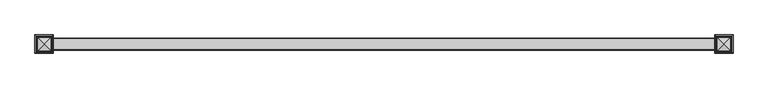
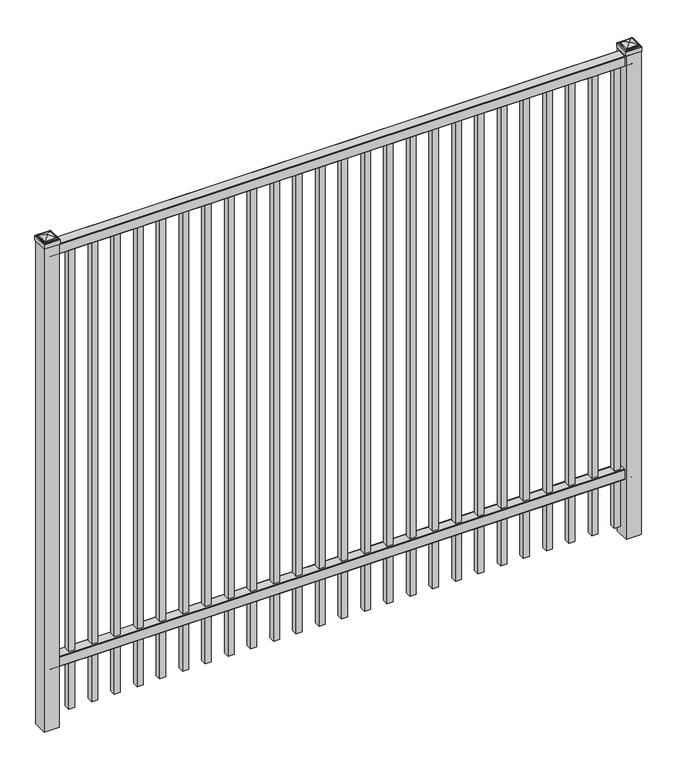
"""IFC4 building model written with IfcOpenShell, lengths in millimetres: railing geometry."""

from ifc_helpers import new_model, si_unit, point, frame, frame_2d, origin, origin_with_axes, place, context, project, spatial, polyline, circle_curve, ellipse_curve, trimmed, segment, composite_curve, outline, extrude, source, transform, mapped, element, save
from ifc_brep_helpers import plane_surface, cylinder_surface, advanced_brep


def railing_d0c8d24b(model_context):
    return source(origin(), model_context, "Body", "SolidModel", [
        extrude(outline(composite_curve([segment(polyline([(8825.9139761, 304.8), (8863.969541, 304.8)]), True, "CONTINUOUS"), segment(trimmed(circle_curve(frame_2d((8863.969541, 301.625)), 3.175), [point((8863.969541, 304.8))], [point((8867.144541, 301.625))], False, "CARTESIAN"), True, "CONTINUOUS"), segment(polyline([(8867.144541, 301.625), (8867.144541, 262.1439893)]), True, "CONTINUOUS"), segment(trimmed(circle_curve(frame_2d((8865.3505518, 262.1439893)), 1.7939893), [point((8867.144541, 262.1439893))], [point((8865.3505518, 260.35))], False, "CARTESIAN"), True, "CONTINUOUS"), segment(polyline([(8865.3505518, 260.35), (8862.7590713, 260.35)]), True, "CONTINUOUS"), segment(trimmed(circle_curve(frame_2d((8862.7590713, 262.1359375)), 1.7859375), [point((8862.7590713, 260.35))], [point((8860.9755813, 262.0424688))], False, "CARTESIAN"), True, "CONTINUOUS"), segment(polyline([(8860.9755813, 262.0424688), (8859.4025867, 292.0569942), (8830.4364954, 292.0569942), (8828.8635007, 262.0424688)]), True, "CONTINUOUS"), segment(trimmed(circle_curve(frame_2d((8827.0800108, 262.1359375)), 1.7859375), [point((8828.8635007, 262.0424688))], [point((8827.0800108, 260.35))], False, "CARTESIAN"), True, "CONTINUOUS"), segment(polyline([(8827.0800108, 260.35), (8824.4804785, 260.35)]), True, "CONTINUOUS"), segment(trimmed(circle_curve(frame_2d((8824.4804785, 262.1359375)), 1.7859375), [point((8824.4804785, 260.35))], [point((8822.694541, 262.1359375))], False, "CARTESIAN"), True, "CONTINUOUS"), segment(polyline([(8822.694541, 262.1359375), (8822.694541, 301.5805649)]), True, "CONTINUOUS"), segment(trimmed(circle_curve(frame_2d((8825.9139761, 301.5805649)), 3.2194351), [point((8822.694541, 301.5805649))], [point((8825.9139761, 304.8))], False, "CARTESIAN"), True, "CONTINUOUS")], self_intersect=False)), frame((-15337.0649936, 0.0, 0.0), z_axis=(1.0, 0.0, 0.0), x_axis=(0.0, 1.0, 0.0)), (0.0, 0.0, 1.0), 2438.4),
        extrude(outline(composite_curve([segment(polyline([(8825.9139761, 2133.6), (8863.969541, 2133.6)]), True, "CONTINUOUS"), segment(trimmed(circle_curve(frame_2d((8863.969541, 2130.425)), 3.175), [point((8863.969541, 2133.6))], [point((8867.144541, 2130.425))], False, "CARTESIAN"), True, "CONTINUOUS"), segment(polyline([(8867.144541, 2130.425), (8867.144541, 2090.9439893)]), True, "CONTINUOUS"), segment(trimmed(circle_curve(frame_2d((8865.3505518, 2090.9439893)), 1.7939893), [point((8867.144541, 2090.9439893))], [point((8865.3505518, 2089.15))], False, "CARTESIAN"), True, "CONTINUOUS"), segment(polyline([(8865.3505518, 2089.15), (8862.7590713, 2089.15)]), True, "CONTINUOUS"), segment(trimmed(circle_curve(frame_2d((8862.7590713, 2090.9359375)), 1.7859375), [point((8862.7590713, 2089.15))], [point((8860.9755813, 2090.8424688))], False, "CARTESIAN"), True, "CONTINUOUS"), segment(polyline([(8860.9755813, 2090.8424688), (8859.4025867, 2120.8569942), (8830.4364954, 2120.8569942), (8828.8635007, 2090.8424688)]), True, "CONTINUOUS"), segment(trimmed(circle_curve(frame_2d((8827.0800108, 2090.9359375)), 1.7859375), [point((8828.8635007, 2090.8424688))], [point((8827.0800108, 2089.15))], False, "CARTESIAN"), True, "CONTINUOUS"), segment(polyline([(8827.0800108, 2089.15), (8824.4804785, 2089.15)]), True, "CONTINUOUS"), segment(trimmed(circle_curve(frame_2d((8824.4804785, 2090.9359375)), 1.7859375), [point((8824.4804785, 2089.15))], [point((8822.694541, 2090.9359375))], False, "CARTESIAN"), True, "CONTINUOUS"), segment(polyline([(8822.694541, 2090.9359375), (8822.694541, 2130.3805649)]), True, "CONTINUOUS"), segment(trimmed(circle_curve(frame_2d((8825.9139761, 2130.3805649)), 3.2194351), [point((8822.694541, 2130.3805649))], [point((8825.9139761, 2133.6))], False, "CARTESIAN"), True, "CONTINUOUS")], self_intersect=False)), frame((-15337.0649936, 0.0, 0.0), z_axis=(1.0, 0.0, 0.0), x_axis=(0.0, 1.0, 0.0)), (0.0, 0.0, 1.0), 2438.4),
        extrude(outline(polyline([(0.0, -2038.35), (0.0, 0.0), (25.4, 0.0), (25.4, -2038.35), (0.0, -2038.35)])), frame((-12943.1149864, 8857.619541, 2089.15), z_axis=(-1.0, 0.0, 2.0357833487507914e-09), x_axis=(0.0, -1.0, 0.0)), (0.0, 0.0, 1.0), 25.4),
        extrude(outline(polyline([(0.0, -2038.35), (0.0, 0.0), (25.4, 0.0), (25.4, -2038.35), (0.0, -2038.35)])), frame((-13038.3649864, 8857.619541, 2089.15), z_axis=(-1.0, 0.0, 2.0357833487507914e-09), x_axis=(0.0, -1.0, 0.0)), (0.0, 0.0, 1.0), 25.4),
        extrude(outline(polyline([(0.0, -2038.35), (0.0, 0.0), (25.4, 0.0), (25.4, -2038.35), (0.0, -2038.35)])), frame((-13133.6149864, 8857.619541, 2089.15), z_axis=(-1.0, 0.0, 2.0357833487507914e-09), x_axis=(0.0, -1.0, 0.0)), (0.0, 0.0, 1.0), 25.4),
        extrude(outline(polyline([(0.0, -2038.35), (0.0, 0.0), (25.4, 0.0), (25.4, -2038.35), (0.0, -2038.35)])), frame((-13228.8649864, 8857.619541, 2089.15), z_axis=(-1.0, 0.0, 2.0357833487507914e-09), x_axis=(0.0, -1.0, 0.0)), (0.0, 0.0, 1.0), 25.4),
        extrude(outline(polyline([(0.0, -2038.35), (0.0, 0.0), (25.4, 0.0), (25.4, -2038.35), (0.0, -2038.35)])), frame((-13324.1149864, 8857.619541, 2089.15), z_axis=(-1.0, 0.0, 2.0357833487507914e-09), x_axis=(0.0, -1.0, 0.0)), (0.0, 0.0, 1.0), 25.4),
        extrude(outline(polyline([(0.0, -2038.35), (0.0, 0.0), (25.4, 0.0), (25.4, -2038.35), (0.0, -2038.35)])), frame((-13419.3649864, 8857.619541, 2089.15), z_axis=(-1.0, 0.0, 2.0357833487507914e-09), x_axis=(0.0, -1.0, 0.0)), (0.0, 0.0, 1.0), 25.4),
        extrude(outline(polyline([(0.0, -2038.35), (0.0, 0.0), (25.4, 0.0), (25.4, -2038.35), (0.0, -2038.35)])), frame((-13514.6149864, 8857.619541, 2089.15), z_axis=(-1.0, 0.0, 2.0357833487507914e-09), x_axis=(0.0, -1.0, 0.0)), (0.0, 0.0, 1.0), 25.4),
        extrude(outline(polyline([(0.0, -2038.35), (0.0, 0.0), (25.4, 0.0), (25.4, -2038.35), (0.0, -2038.35)])), frame((-13609.8649864, 8857.619541, 2089.15), z_axis=(-1.0, 0.0, 2.0357833487507914e-09), x_axis=(0.0, -1.0, 0.0)), (0.0, 0.0, 1.0), 25.4),
        extrude(outline(polyline([(0.0, -2038.35), (0.0, 0.0), (25.4, 0.0), (25.4, -2038.35), (0.0, -2038.35)])), frame((-13705.1149864, 8857.619541, 2089.15), z_axis=(-1.0, 0.0, 2.0357833487507914e-09), x_axis=(0.0, -1.0, 0.0)), (0.0, 0.0, 1.0), 25.4),
        extrude(outline(polyline([(0.0, -2038.35), (0.0, 0.0), (25.4, 0.0), (25.4, -2038.35), (0.0, -2038.35)])), frame((-13800.3649864, 8857.619541, 2089.15), z_axis=(-1.0, 0.0, 2.0357833487507914e-09), x_axis=(0.0, -1.0, 0.0)), (0.0, 0.0, 1.0), 25.4),
        extrude(outline(polyline([(0.0, -2038.35), (0.0, 0.0), (25.4, 0.0), (25.4, -2038.35), (0.0, -2038.35)])), frame((-13895.6149864, 8857.619541, 2089.15), z_axis=(-1.0, 0.0, 2.0357833487507914e-09), x_axis=(0.0, -1.0, 0.0)), (0.0, 0.0, 1.0), 25.4),
        extrude(outline(polyline([(0.0, -2038.35), (0.0, 0.0), (25.4, 0.0), (25.4, -2038.35), (0.0, -2038.35)])), frame((-13990.8649864, 8857.619541, 2089.15), z_axis=(-1.0, 0.0, 2.0357833487507914e-09), x_axis=(0.0, -1.0, 0.0)), (0.0, 0.0, 1.0), 25.4),
        extrude(outline(polyline([(0.0, -2038.35), (0.0, 0.0), (25.4, 0.0), (25.4, -2038.35), (0.0, -2038.35)])), frame((-14086.1149864, 8857.619541, 2089.15), z_axis=(-1.0, 0.0, 2.0357833487507914e-09), x_axis=(0.0, -1.0, 0.0)), (0.0, 0.0, 1.0), 25.4),
        extrude(outline(polyline([(0.0, -2038.35), (0.0, 0.0), (25.4, 0.0), (25.4, -2038.35), (0.0, -2038.35)])), frame((-14181.3649864, 8857.619541, 2089.15), z_axis=(-1.0, 0.0, 2.0357833487507914e-09), x_axis=(0.0, -1.0, 0.0)), (0.0, 0.0, 1.0), 25.4),
        extrude(outline(polyline([(0.0, -2038.35), (0.0, 0.0), (25.4, 0.0), (25.4, -2038.35), (0.0, -2038.35)])), frame((-14276.6149864, 8857.619541, 2089.15), z_axis=(-1.0, 0.0, 2.0357833487507914e-09), x_axis=(0.0, -1.0, 0.0)), (0.0, 0.0, 1.0), 25.4),
        extrude(outline(polyline([(0.0, -2038.35), (0.0, 0.0), (25.4, 0.0), (25.4, -2038.35), (0.0, -2038.35)])), frame((-14371.8649864, 8857.619541, 2089.15), z_axis=(-1.0, 0.0, 2.0357833487507914e-09), x_axis=(0.0, -1.0, 0.0)), (0.0, 0.0, 1.0), 25.4),
        extrude(outline(polyline([(0.0, -2038.35), (0.0, 0.0), (25.4, 0.0), (25.4, -2038.35), (0.0, -2038.35)])), frame((-14467.1149864, 8857.619541, 2089.15), z_axis=(-1.0, 0.0, 2.0357833487507914e-09), x_axis=(0.0, -1.0, 0.0)), (0.0, 0.0, 1.0), 25.4),
        extrude(outline(polyline([(0.0, -2038.35), (0.0, 0.0), (25.4, 0.0), (25.4, -2038.35), (0.0, -2038.35)])), frame((-14562.3649864, 8857.619541, 2089.15), z_axis=(-1.0, 0.0, 2.0357833487507914e-09), x_axis=(0.0, -1.0, 0.0)), (0.0, 0.0, 1.0), 25.4),
        extrude(outline(polyline([(0.0, -2038.35), (0.0, 0.0), (25.4, 0.0), (25.4, -2038.35), (0.0, -2038.35)])), frame((-14657.6149864, 8857.619541, 2089.15), z_axis=(-1.0, 0.0, 2.0357833487507914e-09), x_axis=(0.0, -1.0, 0.0)), (0.0, 0.0, 1.0), 25.4),
        extrude(outline(polyline([(0.0, -2038.35), (0.0, 0.0), (25.4, 0.0), (25.4, -2038.35), (0.0, -2038.35)])), frame((-14752.8649864, 8857.619541, 2089.15), z_axis=(-1.0, 0.0, 2.0357833487507914e-09), x_axis=(0.0, -1.0, 0.0)), (0.0, 0.0, 1.0), 25.4),
        extrude(outline(polyline([(0.0, -2038.35), (0.0, 0.0), (25.4, 0.0), (25.4, -2038.35), (0.0, -2038.35)])), frame((-14848.1149864, 8857.619541, 2089.15), z_axis=(-1.0, 0.0, 2.0357833487507914e-09), x_axis=(0.0, -1.0, 0.0)), (0.0, 0.0, 1.0), 25.4),
        extrude(outline(polyline([(0.0, -2038.35), (0.0, 0.0), (25.4, 0.0), (25.4, -2038.35), (0.0, -2038.35)])), frame((-14943.3649864, 8857.619541, 2089.15), z_axis=(-1.0, 0.0, 2.0357833487507914e-09), x_axis=(0.0, -1.0, 0.0)), (0.0, 0.0, 1.0), 25.4),
        extrude(outline(polyline([(0.0, -2038.35), (0.0, 0.0), (25.4, 0.0), (25.4, -2038.35), (0.0, -2038.35)])), frame((-15038.6149864, 8857.619541, 2089.15), z_axis=(-1.0, 0.0, 2.0357833487507914e-09), x_axis=(0.0, -1.0, 0.0)), (0.0, 0.0, 1.0), 25.4),
        extrude(outline(polyline([(0.0, -2038.35), (0.0, 0.0), (25.4, 0.0), (25.4, -2038.35), (0.0, -2038.35)])), frame((-15133.8649864, 8857.619541, 2089.15), z_axis=(-1.0, 0.0, 2.0357833487507914e-09), x_axis=(0.0, -1.0, 0.0)), (0.0, 0.0, 1.0), 25.4),
        extrude(outline(polyline([(0.0, -2038.35), (0.0, 0.0), (25.4, 0.0), (25.4, -2038.35), (0.0, -2038.35)])), frame((-15229.1149864, 8857.619541, 2089.15), z_axis=(-1.0, 0.0, 2.0357833487507914e-09), x_axis=(0.0, -1.0, 0.0)), (0.0, 0.0, 1.0), 25.4),
        extrude(outline(polyline([(-12866.9149936, 8876.669541), (-12866.9149936, 8813.169541), (-12930.4149936, 8813.169541), (-12930.4149936, 8876.669541), (-12866.9149936, 8876.669541)])), origin_with_axes(), (0.0, 0.0, 1.0), 2141.5375),
        advanced_brep(
        [(-12932.0024936, 8878.257041, 2159.79375), (-12932.0024936, 8878.257041, 2141.5375), (-12932.0024936, 8811.582041, 2141.5375), (-12932.0024936, 8811.582041, 2159.79375), (-12929.6212436, 8875.875791, 2162.175), (-12929.6212436, 8813.963291, 2162.175), (-12927.2399936, 8873.494541, 2164.55625), (-12927.2399936, 8873.494541, 2162.175), (-12927.2399936, 8816.344541, 2162.175), (-12927.2399936, 8816.344541, 2164.55625), (-12924.8587436, 8871.113291, 2166.9375), (-12924.8587436, 8818.725791, 2166.9375), (-12898.6649936, 8844.919541, 2173.2875), (-12922.4774936, 8868.732041, 2166.9375), (-12922.4774936, 8821.107041, 2166.9375), (-12865.3274936, 8811.582041, 2141.5375), (-12865.3274936, 8811.582041, 2159.79375), (-12867.7087436, 8813.963291, 2162.175), (-12870.0899936, 8816.344541, 2162.175), (-12870.0899936, 8816.344541, 2164.55625), (-12872.4712436, 8818.725791, 2166.9375), (-12874.8524936, 8821.107041, 2166.9375), (-12865.3274936, 8878.257041, 2141.5375), (-12865.3274936, 8878.257041, 2159.79375), (-12867.7087436, 8875.875791, 2162.175), (-12870.0899936, 8873.494541, 2162.175), (-12870.0899936, 8873.494541, 2164.55625), (-12872.4712436, 8871.113291, 2166.9375), (-12874.8524936, 8868.732041, 2166.9375)],
        [
            (0, 1),
            (1, 2),
            (2, 3),
            (3, 0),
            (4, 0, ellipse_curve(frame((-12929.6212436, 8875.875791, 2159.79375), z_axis=(-0.70710678118655, -0.7071067811865449, 0.0), x_axis=(-0.7071067811865448, 0.7071067811865501, 0.0)), 3.367596, 2.38125)),
            (3, 5, ellipse_curve(frame((-12929.6212436, 8813.963291, 2159.79375), z_axis=(-0.7071067811865449, 0.70710678118655, 0.0), x_axis=(0.7071067811865499, 0.707106781186545, 0.0)), 3.367596, 2.38125)),
            (5, 4),
            (6, 7),
            (7, 8),
            (8, 9),
            (9, 6),
            (10, 6, ellipse_curve(frame((-12924.8587436, 8871.113291, 2164.55625), z_axis=(-0.70710678118655, -0.7071067811865449, 0.0), x_axis=(-0.7071067811865448, 0.7071067811865501, 0.0)), 3.367596, 2.38125)),
            (9, 11, ellipse_curve(frame((-12924.8587436, 8818.725791, 2164.55625), z_axis=(-0.7071067811865449, 0.70710678118655, 0.0), x_axis=(0.7071067811865499, 0.707106781186545, 0.0)), 3.367596, 2.38125)),
            (11, 10),
            (12, 13, ellipse_curve(frame((-12898.6649936, 8844.919541, 2125.4640625), z_axis=(-0.70710678118655, -0.7071067811865449, 0.0), x_axis=(-0.7071067811865448, 0.7071067811865501, 0.0)), 67.6325539, 47.8234375)),
            (13, 14),
            (14, 12, ellipse_curve(frame((-12898.6649936, 8844.919541, 2125.4640625), z_axis=(-0.7071067811865449, 0.70710678118655, 0.0), x_axis=(0.7071067811865499, 0.707106781186545, 0.0)), 67.6325539, 47.8234375)),
            (2, 15),
            (15, 16),
            (16, 3),
            (16, 17, ellipse_curve(frame((-12867.7087436, 8813.963291, 2159.79375), z_axis=(-0.70710678118655, -0.707106781186545, 0.0), x_axis=(-0.707106781186545, 0.70710678118655, 0.0)), 3.367596, 2.38125)),
            (17, 5),
            (8, 18),
            (18, 19),
            (19, 9),
            (19, 20, ellipse_curve(frame((-12872.4712436, 8818.725791, 2164.55625), z_axis=(-0.70710678118655, -0.707106781186545, 0.0), x_axis=(-0.707106781186545, 0.70710678118655, 0.0)), 3.367596, 2.38125)),
            (20, 11),
            (14, 21),
            (21, 12, ellipse_curve(frame((-12898.6649936, 8844.919541, 2125.4640625), z_axis=(-0.70710678118655, -0.707106781186545, 0.0), x_axis=(-0.707106781186545, 0.70710678118655, 0.0)), 67.6325539, 47.8234375)),
            (15, 22),
            (22, 23),
            (23, 16),
            (23, 24, ellipse_curve(frame((-12867.7087436, 8875.875791, 2159.79375), z_axis=(0.707106781186545, -0.7071067811865499, 0.0), x_axis=(-0.7071067811865497, -0.7071067811865452, 0.0)), 3.367596, 2.38125)),
            (24, 17),
            (18, 25),
            (25, 26),
            (26, 19),
            (26, 27, ellipse_curve(frame((-12872.4712436, 8871.113291, 2164.55625), z_axis=(0.707106781186545, -0.7071067811865499, 0.0), x_axis=(-0.7071067811865497, -0.7071067811865452, 0.0)), 3.367596, 2.38125)),
            (27, 20),
            (21, 28),
            (28, 12, ellipse_curve(frame((-12898.6649936, 8844.919541, 2125.4640625), z_axis=(0.707106781186545, -0.7071067811865499, 0.0), x_axis=(-0.7071067811865497, -0.7071067811865452, 0.0)), 67.6325539, 47.8234375)),
            (22, 1),
            (0, 23),
            (4, 24),
            (7, 25),
            (6, 26),
            (10, 27),
            (13, 28),
        ],
        [
            plane_surface(frame((-12932.0024936, 8878.257041, 2141.5375), z_axis=(-1.0, 0.0, 0.0), x_axis=(0.0, -1.0, 0.0))),
            cylinder_surface(frame((-12929.6212436, 8876.669541, 2159.79375), z_axis=(0.0, 1.0, 0.0), x_axis=(1.0, 0.0, 0.0)), 2.38125),
            plane_surface(frame((-12927.2399936, 8873.494541, 2162.175), z_axis=(-1.0, 0.0, 0.0), x_axis=(0.0, -1.0, 0.0))),
            cylinder_surface(frame((-12924.8587436, 8876.669541, 2164.55625), z_axis=(0.0, 1.0, 0.0), x_axis=(1.0, 0.0, 0.0)), 2.38125),
            cylinder_surface(frame((-12898.6649936, 8876.669541, 2125.4640625), z_axis=(0.0, 1.0, 0.0), x_axis=(1.0, 0.0, 0.0)), 47.8234375),
            plane_surface(frame((-12932.0024936, 8811.582041, 2141.5375), z_axis=(0.0, -1.0, 0.0), x_axis=(1.0, 0.0, 0.0))),
            cylinder_surface(frame((-12930.4149936, 8813.963291, 2159.79375), z_axis=(-1.0, 0.0, 0.0), x_axis=(0.0, 1.0, 0.0)), 2.38125),
            plane_surface(frame((-12927.2399936, 8816.344541, 2162.175), z_axis=(0.0, -1.0, 0.0), x_axis=(1.0, 0.0, 0.0))),
            cylinder_surface(frame((-12930.4149936, 8818.725791, 2164.55625), z_axis=(-1.0, 0.0, 0.0), x_axis=(0.0, 1.0, 0.0)), 2.38125),
            cylinder_surface(frame((-12930.4149936, 8844.919541, 2125.4640625), z_axis=(-1.0, 0.0, 0.0), x_axis=(0.0, 1.0, 0.0)), 47.8234375),
            plane_surface(frame((-12865.3274936, 8811.582041, 2141.5375), z_axis=(1.0, 0.0, 0.0), x_axis=(0.0, 1.0, 0.0))),
            cylinder_surface(frame((-12867.7087436, 8813.169541, 2159.79375), z_axis=(0.0, -1.0, 0.0), x_axis=(-1.0, 0.0, 0.0)), 2.38125),
            plane_surface(frame((-12870.0899936, 8816.344541, 2162.175), z_axis=(1.0, 0.0, 0.0), x_axis=(0.0, 1.0, 0.0))),
            cylinder_surface(frame((-12872.4712436, 8813.169541, 2164.55625), z_axis=(0.0, -1.0, 0.0), x_axis=(-1.0, 0.0, 0.0)), 2.38125),
            cylinder_surface(frame((-12898.6649936, 8813.169541, 2125.4640625), z_axis=(0.0, -1.0, 0.0), x_axis=(-1.0, 0.0, 0.0)), 47.8234375),
            plane_surface(frame((-12865.3274936, 8878.257041, 2141.5375), z_axis=(0.0, 1.0, 0.0), x_axis=(-1.0, 0.0, 0.0))),
            cylinder_surface(frame((-12866.9149936, 8875.875791, 2159.79375), z_axis=(1.0, 0.0, 0.0), x_axis=(0.0, -1.0, 0.0)), 2.38125),
            plane_surface(frame((-12867.7087436, 8875.875791, 2162.175), z_axis=(0.0, 0.0, 1.0), x_axis=(-1.0, 0.0, 0.0))),
            plane_surface(frame((-12870.0899936, 8873.494541, 2162.175), z_axis=(0.0, 1.0, 0.0), x_axis=(-1.0, 0.0, 0.0))),
            cylinder_surface(frame((-12866.9149936, 8871.113291, 2164.55625), z_axis=(1.0, 0.0, 0.0), x_axis=(0.0, -1.0, 0.0)), 2.38125),
            plane_surface(frame((-12872.4712436, 8871.113291, 2166.9375), z_axis=(0.0, 0.0, 1.0), x_axis=(-1.0, 0.0, 0.0))),
            cylinder_surface(frame((-12866.9149936, 8844.919541, 2125.4640625), z_axis=(1.0, 0.0, 0.0), x_axis=(0.0, -1.0, 0.0)), 47.8234375),
            plane_surface(frame((-12898.6649936, 8844.919541, 2141.5375), z_axis=(0.0, 0.0, -1.0), x_axis=(-1.0, 0.0, 0.0))),
        ],
        [
            (0, [[1, 2, 3, 4]]),
            (1, [[5, -4, 6, 7]]),
            (2, [[8, 9, 10, 11]]),
            (3, [[12, -11, 13, 14]]),
            (4, [[15, 16, 17]]),
            (5, [[-3, 18, 19, 20]]),
            (6, [[-6, -20, 21, 22]]),
            (7, [[-10, 23, 24, 25]]),
            (8, [[-13, -25, 26, 27]]),
            (9, [[-17, 28, 29]]),
            (10, [[-19, 30, 31, 32]]),
            (11, [[-21, -32, 33, 34]]),
            (12, [[-24, 35, 36, 37]]),
            (13, [[-26, -37, 38, 39]]),
            (14, [[-29, 40, 41]]),
            (15, [[-31, 42, -1, 43]]),
            (16, [[-33, -43, -5, 44]]),
            (17, [[-22, -34, -44, -7], [45, -35, -23, -9]]),
            (18, [[-36, -45, -8, 46]]),
            (19, [[-38, -46, -12, 47]]),
            (20, [[-27, -39, -47, -14], [48, -40, -28, -16]]),
            (21, [[-41, -48, -15]]),
            (22, [[-42, -30, -18, -2]]),
        ],
    ),
        extrude(outline(polyline([(-15305.3149936, 8876.669541), (-15305.3149936, 8813.169541), (-15368.8149936, 8813.169541), (-15368.8149936, 8876.669541), (-15305.3149936, 8876.669541)])), origin_with_axes(), (0.0, 0.0, 1.0), 2141.5375),
        advanced_brep(
        [(-15370.4024936, 8878.257041, 2159.79375), (-15370.4024936, 8878.257041, 2141.5375), (-15370.4024936, 8811.582041, 2141.5375), (-15370.4024936, 8811.582041, 2159.79375), (-15368.0212436, 8875.875791, 2162.175), (-15368.0212436, 8813.963291, 2162.175), (-15365.6399936, 8873.494541, 2164.55625), (-15365.6399936, 8873.494541, 2162.175), (-15365.6399936, 8816.344541, 2162.175), (-15365.6399936, 8816.344541, 2164.55625), (-15363.2587436, 8871.113291, 2166.9375), (-15363.2587436, 8818.725791, 2166.9375), (-15337.0649936, 8844.919541, 2173.2875), (-15360.8774936, 8868.732041, 2166.9375), (-15360.8774936, 8821.107041, 2166.9375), (-15303.7274936, 8811.582041, 2141.5375), (-15303.7274936, 8811.582041, 2159.79375), (-15306.1087436, 8813.963291, 2162.175), (-15308.4899936, 8816.344541, 2162.175), (-15308.4899936, 8816.344541, 2164.55625), (-15310.8712436, 8818.725791, 2166.9375), (-15313.2524936, 8821.107041, 2166.9375), (-15303.7274936, 8878.257041, 2141.5375), (-15303.7274936, 8878.257041, 2159.79375), (-15306.1087436, 8875.875791, 2162.175), (-15308.4899936, 8873.494541, 2162.175), (-15308.4899936, 8873.494541, 2164.55625), (-15310.8712436, 8871.113291, 2166.9375), (-15313.2524936, 8868.732041, 2166.9375)],
        [
            (0, 1),
            (1, 2),
            (2, 3),
            (3, 0),
            (4, 0, ellipse_curve(frame((-15368.0212436, 8875.875791, 2159.79375), z_axis=(-0.70710678118655, -0.7071067811865449, 0.0), x_axis=(-0.7071067811865448, 0.7071067811865501, 0.0)), 3.367596, 2.38125)),
            (3, 5, ellipse_curve(frame((-15368.0212436, 8813.963291, 2159.79375), z_axis=(-0.7071067811865449, 0.70710678118655, 0.0), x_axis=(0.7071067811865499, 0.707106781186545, 0.0)), 3.367596, 2.38125)),
            (5, 4),
            (6, 7),
            (7, 8),
            (8, 9),
            (9, 6),
            (10, 6, ellipse_curve(frame((-15363.2587436, 8871.113291, 2164.55625), z_axis=(-0.70710678118655, -0.7071067811865449, 0.0), x_axis=(-0.7071067811865448, 0.7071067811865501, 0.0)), 3.367596, 2.38125)),
            (9, 11, ellipse_curve(frame((-15363.2587436, 8818.725791, 2164.55625), z_axis=(-0.7071067811865449, 0.70710678118655, 0.0), x_axis=(0.7071067811865499, 0.707106781186545, 0.0)), 3.367596, 2.38125)),
            (11, 10),
            (12, 13, ellipse_curve(frame((-15337.0649936, 8844.919541, 2125.4640625), z_axis=(-0.70710678118655, -0.7071067811865449, 0.0), x_axis=(-0.7071067811865448, 0.7071067811865501, 0.0)), 67.6325539, 47.8234375)),
            (13, 14),
            (14, 12, ellipse_curve(frame((-15337.0649936, 8844.919541, 2125.4640625), z_axis=(-0.7071067811865449, 0.70710678118655, 0.0), x_axis=(0.7071067811865499, 0.707106781186545, 0.0)), 67.6325539, 47.8234375)),
            (2, 15),
            (15, 16),
            (16, 3),
            (16, 17, ellipse_curve(frame((-15306.1087436, 8813.963291, 2159.79375), z_axis=(-0.70710678118655, -0.707106781186545, 0.0), x_axis=(-0.707106781186545, 0.70710678118655, 0.0)), 3.367596, 2.38125)),
            (17, 5),
            (8, 18),
            (18, 19),
            (19, 9),
            (19, 20, ellipse_curve(frame((-15310.8712436, 8818.725791, 2164.55625), z_axis=(-0.70710678118655, -0.707106781186545, 0.0), x_axis=(-0.707106781186545, 0.70710678118655, 0.0)), 3.367596, 2.38125)),
            (20, 11),
            (14, 21),
            (21, 12, ellipse_curve(frame((-15337.0649936, 8844.919541, 2125.4640625), z_axis=(-0.70710678118655, -0.707106781186545, 0.0), x_axis=(-0.707106781186545, 0.70710678118655, 0.0)), 67.6325539, 47.8234375)),
            (15, 22),
            (22, 23),
            (23, 16),
            (23, 24, ellipse_curve(frame((-15306.1087436, 8875.875791, 2159.79375), z_axis=(0.707106781186545, -0.7071067811865499, 0.0), x_axis=(-0.7071067811865497, -0.7071067811865452, 0.0)), 3.367596, 2.38125)),
            (24, 17),
            (18, 25),
            (25, 26),
            (26, 19),
            (26, 27, ellipse_curve(frame((-15310.8712436, 8871.113291, 2164.55625), z_axis=(0.707106781186545, -0.7071067811865499, 0.0), x_axis=(-0.7071067811865497, -0.7071067811865452, 0.0)), 3.367596, 2.38125)),
            (27, 20),
            (21, 28),
            (28, 12, ellipse_curve(frame((-15337.0649936, 8844.919541, 2125.4640625), z_axis=(0.707106781186545, -0.7071067811865499, 0.0), x_axis=(-0.7071067811865497, -0.7071067811865452, 0.0)), 67.6325539, 47.8234375)),
            (22, 1),
            (0, 23),
            (4, 24),
            (7, 25),
            (6, 26),
            (10, 27),
            (13, 28),
        ],
        [
            plane_surface(frame((-15370.4024936, 8878.257041, 2141.5375), z_axis=(-1.0, 0.0, 0.0), x_axis=(0.0, -1.0, 0.0))),
            cylinder_surface(frame((-15368.0212436, 8876.669541, 2159.79375), z_axis=(0.0, 1.0, 0.0), x_axis=(1.0, 0.0, 0.0)), 2.38125),
            plane_surface(frame((-15365.6399936, 8873.494541, 2162.175), z_axis=(-1.0, 0.0, 0.0), x_axis=(0.0, -1.0, 0.0))),
            cylinder_surface(frame((-15363.2587436, 8876.669541, 2164.55625), z_axis=(0.0, 1.0, 0.0), x_axis=(1.0, 0.0, 0.0)), 2.38125),
            cylinder_surface(frame((-15337.0649936, 8876.669541, 2125.4640625), z_axis=(0.0, 1.0, 0.0), x_axis=(1.0, 0.0, 0.0)), 47.8234375),
            plane_surface(frame((-15370.4024936, 8811.582041, 2141.5375), z_axis=(0.0, -1.0, 0.0), x_axis=(1.0, 0.0, 0.0))),
            cylinder_surface(frame((-15368.8149936, 8813.963291, 2159.79375), z_axis=(-1.0, 0.0, 0.0), x_axis=(0.0, 1.0, 0.0)), 2.38125),
            plane_surface(frame((-15365.6399936, 8816.344541, 2162.175), z_axis=(0.0, -1.0, 0.0), x_axis=(1.0, 0.0, 0.0))),
            cylinder_surface(frame((-15368.8149936, 8818.725791, 2164.55625), z_axis=(-1.0, 0.0, 0.0), x_axis=(0.0, 1.0, 0.0)), 2.38125),
            cylinder_surface(frame((-15368.8149936, 8844.919541, 2125.4640625), z_axis=(-1.0, 0.0, 0.0), x_axis=(0.0, 1.0, 0.0)), 47.8234375),
            plane_surface(frame((-15303.7274936, 8811.582041, 2141.5375), z_axis=(1.0, 0.0, 0.0), x_axis=(0.0, 1.0, 0.0))),
            cylinder_surface(frame((-15306.1087436, 8813.169541, 2159.79375), z_axis=(0.0, -1.0, 0.0), x_axis=(-1.0, 0.0, 0.0)), 2.38125),
            plane_surface(frame((-15308.4899936, 8816.344541, 2162.175), z_axis=(1.0, 0.0, 0.0), x_axis=(0.0, 1.0, 0.0))),
            cylinder_surface(frame((-15310.8712436, 8813.169541, 2164.55625), z_axis=(0.0, -1.0, 0.0), x_axis=(-1.0, 0.0, 0.0)), 2.38125),
            cylinder_surface(frame((-15337.0649936, 8813.169541, 2125.4640625), z_axis=(0.0, -1.0, 0.0), x_axis=(-1.0, 0.0, 0.0)), 47.8234375),
            plane_surface(frame((-15303.7274936, 8878.257041, 2141.5375), z_axis=(0.0, 1.0, 0.0), x_axis=(-1.0, 0.0, 0.0))),
            cylinder_surface(frame((-15305.3149936, 8875.875791, 2159.79375), z_axis=(1.0, 0.0, 0.0), x_axis=(0.0, -1.0, 0.0)), 2.38125),
            plane_surface(frame((-15306.1087436, 8875.875791, 2162.175), z_axis=(0.0, 0.0, 1.0), x_axis=(-1.0, 0.0, 0.0))),
            plane_surface(frame((-15308.4899936, 8873.494541, 2162.175), z_axis=(0.0, 1.0, 0.0), x_axis=(-1.0, 0.0, 0.0))),
            cylinder_surface(frame((-15305.3149936, 8871.113291, 2164.55625), z_axis=(1.0, 0.0, 0.0), x_axis=(0.0, -1.0, 0.0)), 2.38125),
            plane_surface(frame((-15310.8712436, 8871.113291, 2166.9375), z_axis=(0.0, 0.0, 1.0), x_axis=(-1.0, 0.0, 0.0))),
            cylinder_surface(frame((-15305.3149936, 8844.919541, 2125.4640625), z_axis=(1.0, 0.0, 0.0), x_axis=(0.0, -1.0, 0.0)), 47.8234375),
            plane_surface(frame((-15337.0649936, 8844.919541, 2141.5375), z_axis=(0.0, 0.0, -1.0), x_axis=(-1.0, 0.0, 0.0))),
        ],
        [
            (0, [[1, 2, 3, 4]]),
            (1, [[5, -4, 6, 7]]),
            (2, [[8, 9, 10, 11]]),
            (3, [[12, -11, 13, 14]]),
            (4, [[15, 16, 17]]),
            (5, [[-3, 18, 19, 20]]),
            (6, [[-6, -20, 21, 22]]),
            (7, [[-10, 23, 24, 25]]),
            (8, [[-13, -25, 26, 27]]),
            (9, [[-17, 28, 29]]),
            (10, [[-19, 30, 31, 32]]),
            (11, [[-21, -32, 33, 34]]),
            (12, [[-24, 35, 36, 37]]),
            (13, [[-26, -37, 38, 39]]),
            (14, [[-29, 40, 41]]),
            (15, [[-31, 42, -1, 43]]),
            (16, [[-33, -43, -5, 44]]),
            (17, [[-22, -34, -44, -7], [45, -35, -23, -9]]),
            (18, [[-36, -45, -8, 46]]),
            (19, [[-38, -46, -12, 47]]),
            (20, [[-27, -39, -47, -14], [48, -40, -28, -16]]),
            (21, [[-41, -48, -15]]),
            (22, [[-42, -30, -18, -2]]),
        ],
    ),
    ])


if __name__ == "__main__":
    model = new_model("IFC4")
    model_context = context("Model", 3, world=origin())
    ifc_project = project(units=[si_unit("LENGTHUNIT", "METRE", prefix="MILLI")], contexts=[model_context])
    site = spatial("IfcSite", under=ifc_project)
    building = spatial("IfcBuilding", under=site)
    placement = place(None, origin())
    railing_shape = railing_d0c8d24b(model_context)
    element("IfcRailing", 1, at=placement, inside=building, context=model_context, shape_type="MappedRepresentation", body=[
        mapped(railing_shape, transform((0.0, 0.0, 0.0), x_axis=(1.0, 0.0, 0.0), y_axis=(0.0, 1.0, 0.0), z_axis=(0.0, 0.0, 1.0))),
    ])
    save(model, "model.ifc")
